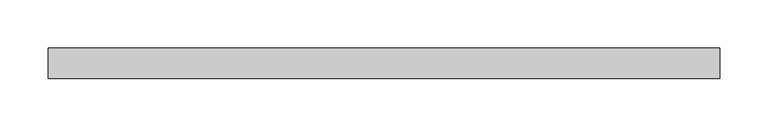
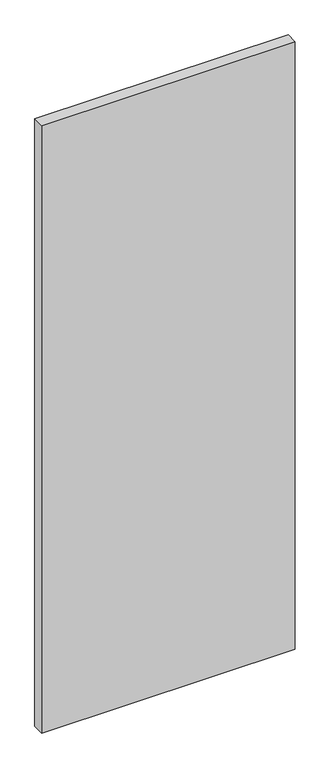
"""IFC4 building model written with IfcOpenShell, lengths in millimetres: plate geometry."""

from ifc_helpers import new_model, si_unit, origin, origin_with_axes, place, context, project, spatial, polyline, outline, extrude, source, transform, mapped, element, save


def plate_69308ba0(model_context):
    return source(origin(), model_context, "Body", "SweptSolid", [
        extrude(outline(polyline([(347.7617187, -15.875), (-347.7617188, -15.875), (-347.7617188, 15.875), (347.7617187, 15.875), (347.7617187, -15.875)])), origin_with_axes(), (0.0, 0.0, 1.0), 1761.2320313),
    ])


if __name__ == "__main__":
    model = new_model("IFC4")
    model_context = context("Model", 3, world=origin())
    ifc_project = project(units=[si_unit("LENGTHUNIT", "METRE", prefix="MILLI")], contexts=[model_context])
    site = spatial("IfcSite", under=ifc_project)
    building = spatial("IfcBuilding", under=site)
    placement = place(None, origin())
    plate_shape = plate_69308ba0(model_context)
    element("IfcPlate", 1, at=placement, inside=building, context=model_context, shape_type="MappedRepresentation", body=[
        mapped(plate_shape, transform((0.0, 0.0, 0.0), x_axis=(1.0, 0.0, 0.0), y_axis=(0.0, 1.0, 0.0), z_axis=(0.0, 0.0, 1.0))),
    ])
    save(model, "model.ifc")
